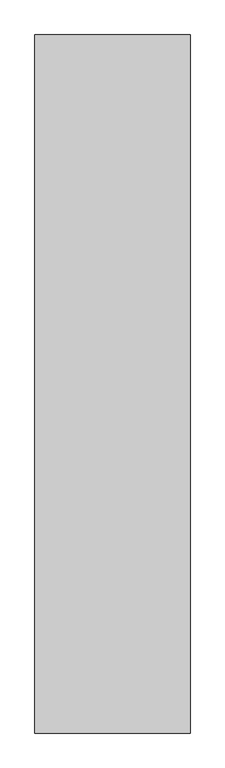
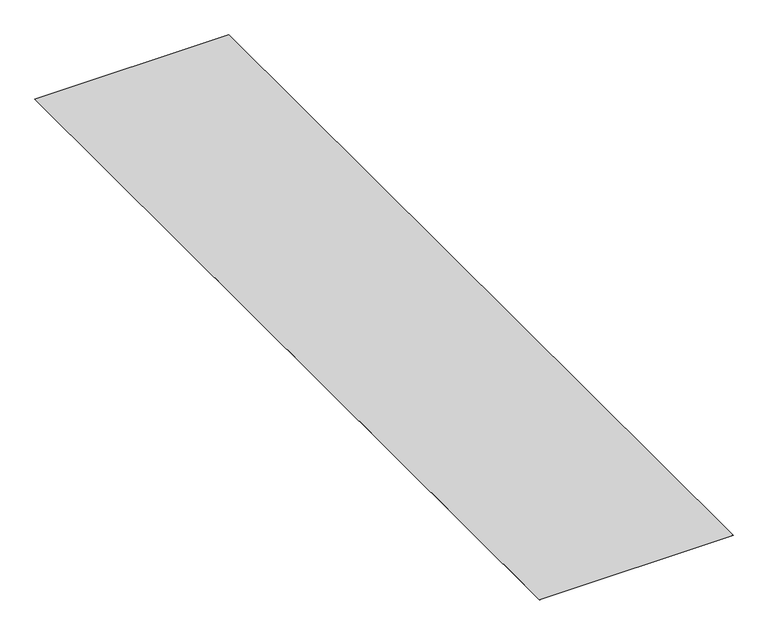
"""IFC4 building model written with IfcOpenShell, lengths in millimetres: proxy geometry."""

from ifc_helpers import new_model, si_unit, origin, origin_with_axes, place, context, project, spatial, polyline, outline, extrude, source, transform, mapped, element, save


def specialty_equipment_778b0175(model_context):
    return source(origin(), model_context, "Body", "SweptSolid", [
        extrude(outline(polyline([(457.2, -2590.8), (-457.2, -2590.8), (-457.2, 1524.0), (457.2, 1524.0), (457.2, -2590.8)])), origin_with_axes(), (0.0, 0.0, 1.0), 0.8128),
    ])


if __name__ == "__main__":
    model = new_model("IFC4")
    model_context = context("Model", 3, world=origin())
    ifc_project = project(units=[si_unit("LENGTHUNIT", "METRE", prefix="MILLI")], contexts=[model_context])
    site = spatial("IfcSite", under=ifc_project)
    building = spatial("IfcBuilding", under=site)
    placement = place(None, origin())
    specialty_equipment_shape = specialty_equipment_778b0175(model_context)
    element("IfcBuildingElementProxy", 1, Name="Specialty Equipment", at=placement, inside=building, context=model_context, shape_type="MappedRepresentation", body=[
        mapped(specialty_equipment_shape, transform((0.0, 0.0, 0.0), x_axis=(1.0, 0.0, 0.0), y_axis=(0.0, 1.0, 0.0), z_axis=(0.0, 0.0, 1.0))),
    ])
    save(model, "model.ifc")
